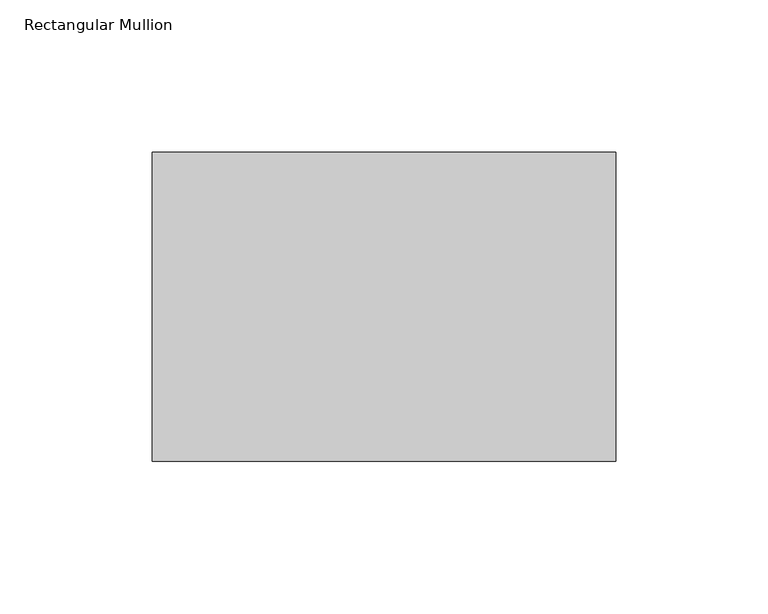
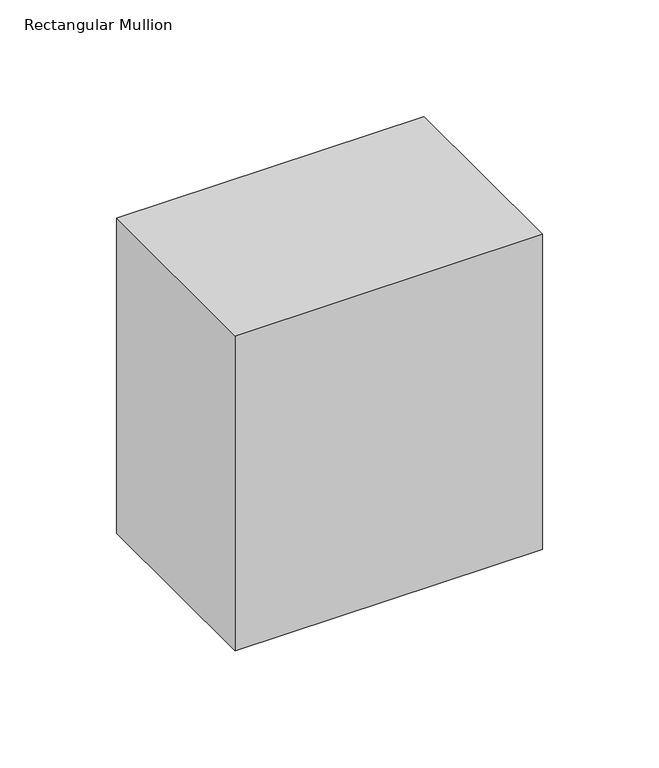
"""IFC4 building model written with IfcOpenShell, lengths in millimetres: member geometry, Rectangular Mullion."""

from ifc_helpers import new_model, si_unit, frame, origin, place, context, project, spatial, polyline, outline, extrude, source, transform, mapped, element, save


def rectangular_mullion_391d00cd(model_context):
    return source(origin(), model_context, "Body", "SweptSolid", [
        extrude(outline(polyline([(0.0, 82.55), (0.0, -19.05), (-152.4, -19.05), (-152.4, 82.55), (0.0, 82.55)])), frame((0.0, 0.0, -165.1), z_axis=(0.0, 0.0, 1.0), x_axis=(1.0, 0.0, 0.0)), (0.0, 0.0, 1.0), 165.1),
    ])


if __name__ == "__main__":
    model = new_model("IFC4")
    model_context = context("Model", 3, world=origin())
    ifc_project = project(units=[si_unit("LENGTHUNIT", "METRE", prefix="MILLI")], contexts=[model_context])
    site = spatial("IfcSite", under=ifc_project)
    building = spatial("IfcBuilding", under=site)
    placement = place(None, origin())
    rectangular_mullion_shape = rectangular_mullion_391d00cd(model_context)
    element("IfcMember", 1, ObjectType="Rectangular Mullion", at=placement, inside=building, context=model_context, shape_type="MappedRepresentation", body=[
        mapped(rectangular_mullion_shape, transform((0.0, 0.0, 0.0), x_axis=(1.0, 0.0, 0.0), y_axis=(0.0, 1.0, 0.0), z_axis=(0.0, 0.0, 1.0))),
    ])
    save(model, "model.ifc")
